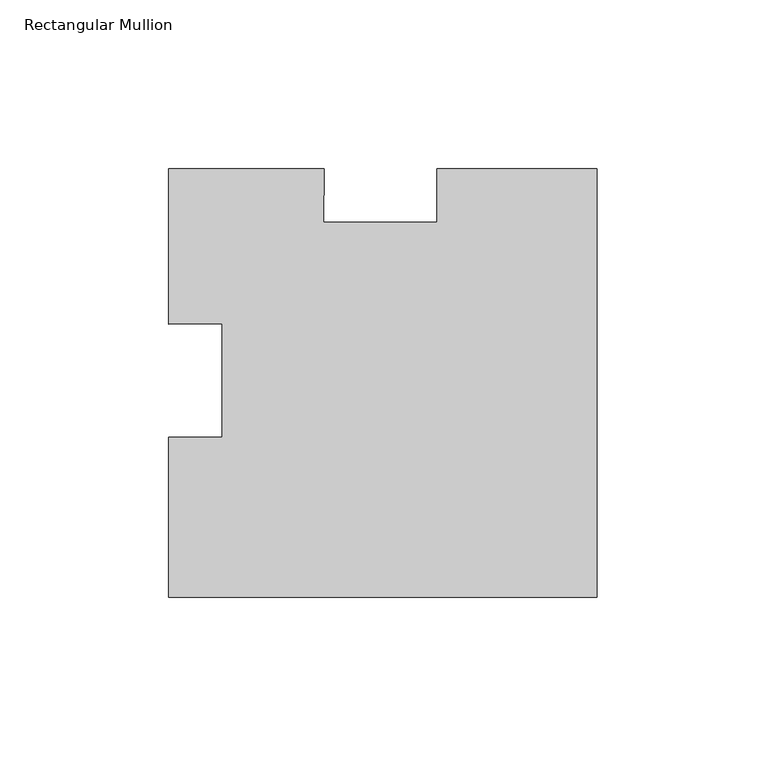
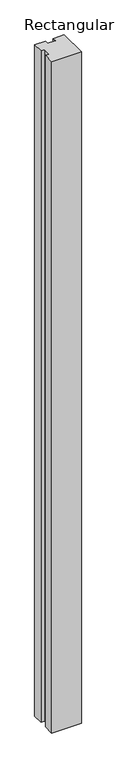
"""IFC4 building model written with IfcOpenShell, lengths in millimetres: member geometry, Rectangular Mullion."""

from ifc_helpers import new_model, si_unit, frame, origin, place, context, project, spatial, polyline, outline, extrude, source, transform, mapped, element, save


def rectangular_mullion_1960e7d1(model_context):
    return source(origin(), model_context, "Body", "SweptSolid", [
        extrude(outline(polyline([(0.0, -64.6938), (-127.0, -64.6938), (-127.0, -17.2339), (-111.125, -17.2339), (-111.125, 16.3910677), (-127.0, 16.1970185), (-127.0, 62.3062), (-80.8908185, 62.3062), (-81.0848677, 46.4312), (-47.4593888, 46.4312), (-47.4593888, 62.3062), (0.0, 62.3062), (0.0, -64.6938)])), frame((0.0, 0.0, -3048.0), z_axis=(0.0, 0.0, 1.0), x_axis=(1.0, 0.0, 0.0)), (0.0, 0.0, 1.0), 3048.0),
    ])


if __name__ == "__main__":
    model = new_model("IFC4")
    model_context = context("Model", 3, world=origin())
    ifc_project = project(units=[si_unit("LENGTHUNIT", "METRE", prefix="MILLI")], contexts=[model_context])
    site = spatial("IfcSite", under=ifc_project)
    building = spatial("IfcBuilding", under=site)
    placement = place(None, origin())
    rectangular_mullion_shape = rectangular_mullion_1960e7d1(model_context)
    element("IfcMember", 1, ObjectType="Rectangular Mullion", at=placement, inside=building, context=model_context, shape_type="MappedRepresentation", body=[
        mapped(rectangular_mullion_shape, transform((0.0, 0.0, 0.0), x_axis=(1.0, 0.0, 0.0), y_axis=(0.0, 1.0, 0.0), z_axis=(0.0, 0.0, 1.0))),
    ])
    save(model, "model.ifc")
